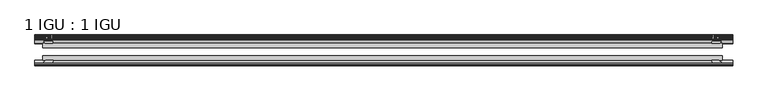
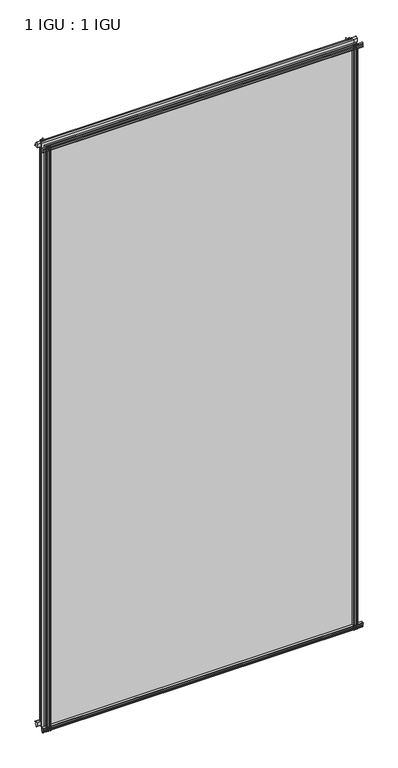
"""IFC4 building model written with IfcOpenShell, lengths in millimetres: plate geometry, 1 IGU : 1 IGU."""

from ifc_helpers import new_model, si_unit, point, frame, frame_2d, origin, place, context, project, spatial, polyline, circle_curve, trimmed, segment, composite_curve, outline, extrude, source, transform, mapped, element, save


def plate_1_igu_1_igu_849d24e5(model_context):
    return source(origin(), model_context, "Body", "SweptSolid", [
        extrude(outline(composite_curve([segment(polyline([(-57.0900403, 1.731044), (-50.00625, 3.0983599), (-50.00625, -7.92383), (-54.1882244, -12.1058044)]), True, "CONTINUOUS"), segment(trimmed(circle_curve(frame_2d((-55.08625, -11.2077788)), 1.27), [point((-54.1882244, -12.1058044))], [point((-56.35625, -11.2077788))], False, "CARTESIAN"), True, "CONTINUOUS"), segment(polyline([(-56.35625, -11.2077788), (-56.35625, -8.0327788), (-57.835546, -5.4488186), (-56.35625, -5.1879788), (-56.35625, 0.2222212), (-57.65913, 0.0383748)]), True, "CONTINUOUS"), segment(trimmed(circle_curve(frame_2d((-56.9150839, 0.7302212)), 1.016), [point((-57.65913, 0.0383748))], [point((-57.0900403, 1.731044))], False, "CARTESIAN"), True, "CONTINUOUS")], self_intersect=False)), frame((-524.5703249, 0.0, 0.0), z_axis=(1.0, 0.0, 0.0), x_axis=(0.0, 1.0, 0.0)), (0.0, 0.0, 1.0), 1053.1792499),
        extrude(outline(composite_curve([segment(polyline([(-24.60625, 2.5763839), (-12.8423053, 1.6478499)]), True, "CONTINUOUS"), segment(trimmed(circle_curve(frame_2d((-12.92225, 0.635)), 1.016), [point((-12.8423053, 1.6478499))], [point((-12.1291353, 0.0))], False, "CARTESIAN"), True, "CONTINUOUS"), segment(polyline([(-12.1291353, 0.0), (-18.25625, 0.0), (-18.25625, -4.953), (-15.9568457, -5.5691235), (-16.3325195, -4.1670901), (-15.4738114, -3.937), (-14.82725, -6.35), (-15.4738114, -8.763), (-16.3325195, -8.5329099), (-15.9568457, -7.1308765), (-18.25625, -7.747), (-18.25625, -12.7), (-20.28825, -12.7), (-24.60625, -9.1036931), (-24.60625, 2.5763839)]), True, "CONTINUOUS")], self_intersect=False)), frame((-524.5703249, 0.0, 0.0), z_axis=(1.0, 0.0, 0.0), x_axis=(0.0, 1.0, 0.0)), (0.0, 0.0, 1.0), 1053.1792499),
        extrude(outline(composite_curve([segment(polyline([(-20.28825, 2019.3), (-18.25625, 2019.3), (-18.25625, 2014.347), (-15.9568457, 2013.7308765), (-16.3325195, 2015.1329099), (-15.4738114, 2015.363), (-14.82725, 2012.95), (-15.4738114, 2010.537), (-16.3325195, 2010.7670901), (-15.9568457, 2012.1691235), (-18.25625, 2011.553), (-18.25625, 2006.6), (-12.1291353, 2006.6)]), True, "CONTINUOUS"), segment(trimmed(circle_curve(frame_2d((-12.92225, 2005.965)), 1.016), [point((-12.1291353, 2006.6))], [point((-12.8423053, 2004.9521501))], False, "CARTESIAN"), True, "CONTINUOUS"), segment(polyline([(-12.8423053, 2004.9521501), (-24.60625, 2004.0236161), (-24.60625, 2015.7036931), (-20.28825, 2019.3)]), True, "CONTINUOUS")], self_intersect=False)), frame((-524.5703249, 0.0, 0.0), z_axis=(1.0, 0.0, 0.0), x_axis=(0.0, 1.0, 0.0)), (0.0, 0.0, 1.0), 1053.1792499),
        extrude(outline(composite_curve([segment(trimmed(circle_curve(frame_2d((-56.9150839, 2005.8697788)), 1.016), [point((-57.0900403, 2004.868956))], [point((-57.65913, 2006.5616252))], False, "CARTESIAN"), True, "CONTINUOUS"), segment(polyline([(-57.65913, 2006.5616252), (-56.35625, 2006.3777788), (-56.35625, 2011.7879788), (-57.835546, 2012.0488186), (-56.35625, 2014.6327788), (-56.35625, 2017.8077788)]), True, "CONTINUOUS"), segment(trimmed(circle_curve(frame_2d((-55.08625, 2017.8077788)), 1.27), [point((-56.35625, 2017.8077788))], [point((-54.1882244, 2018.7058044))], False, "CARTESIAN"), True, "CONTINUOUS"), segment(polyline([(-54.1882244, 2018.7058044), (-50.00625, 2014.52383), (-50.00625, 2003.5016401), (-57.0900403, 2004.868956)]), True, "CONTINUOUS")], self_intersect=False)), frame((-524.5703249, 0.0, 0.0), z_axis=(1.0, 0.0, 0.0), x_axis=(0.0, 1.0, 0.0)), (0.0, 0.0, 1.0), 1053.1792499),
        extrude(outline(composite_curve([segment(polyline([(497.457541, -24.60625), (498.3860751, -12.8423053)]), True, "CONTINUOUS"), segment(trimmed(circle_curve(frame_2d((499.3989249, -12.92225)), 1.016), [point((498.3860751, -12.8423053))], [point((500.0339249, -12.1291353))], False, "CARTESIAN"), True, "CONTINUOUS"), segment(polyline([(500.0339249, -12.1291353), (500.0339249, -18.25625), (504.9869249, -18.25625), (505.6030485, -15.9568457), (504.2010151, -16.3325195), (503.9709249, -15.4738114), (506.3839249, -14.82725), (508.7969249, -15.4738114), (508.5668348, -16.3325195), (507.1648014, -15.9568457), (507.7809249, -18.25625), (512.7339249, -18.25625), (512.7339249, -20.28825), (509.137618, -24.60625), (497.457541, -24.60625)]), True, "CONTINUOUS")], self_intersect=False)), frame((0.0, 0.0, -12.7), z_axis=(0.0, 0.0, 1.0), x_axis=(1.0, 0.0, 0.0)), (0.0, 0.0, 1.0), 2032.0),
        extrude(outline(composite_curve([segment(polyline([(505.2219037, -56.35625), (499.8117037, -56.35625), (499.9955501, -57.65913)]), True, "CONTINUOUS"), segment(trimmed(circle_curve(frame_2d((499.3037037, -56.9150839)), 1.016), [point((499.9955501, -57.65913))], [point((498.3028809, -57.0900403))], False, "CARTESIAN"), True, "CONTINUOUS"), segment(polyline([(498.3028809, -57.0900403), (496.935565, -50.00625), (507.957755, -50.00625), (512.1397293, -54.1882244)]), True, "CONTINUOUS"), segment(trimmed(circle_curve(frame_2d((511.2417037, -55.08625)), 1.27), [point((512.1397293, -54.1882244))], [point((511.2417037, -56.35625))], False, "CARTESIAN"), True, "CONTINUOUS"), segment(polyline([(511.2417037, -56.35625), (508.0667037, -56.35625), (505.4827435, -57.835546), (505.2219037, -56.35625)]), True, "CONTINUOUS")], self_intersect=False)), frame((0.0, 0.0, -12.7), z_axis=(0.0, 0.0, 1.0), x_axis=(1.0, 0.0, 0.0)), (0.0, 0.0, 1.0), 2032.0),
        extrude(outline(composite_curve([segment(polyline([(-497.457541, -24.60625), (-509.137618, -24.60625), (-512.7339249, -20.28825), (-512.7339249, -18.25625), (-507.7809249, -18.25625), (-507.1648014, -15.9568457), (-508.5668348, -16.3325195), (-508.7969249, -15.4738114), (-506.3839249, -14.82725), (-503.9709249, -15.4738114), (-504.2010151, -16.3325195), (-505.6030485, -15.9568457), (-504.9869249, -18.25625), (-500.0339249, -18.25625), (-500.0339249, -12.1291353)]), True, "CONTINUOUS"), segment(trimmed(circle_curve(frame_2d((-499.3989249, -12.92225)), 1.016), [point((-500.0339249, -12.1291353))], [point((-498.3860751, -12.8423053))], False, "CARTESIAN"), True, "CONTINUOUS"), segment(polyline([(-498.3860751, -12.8423053), (-497.457541, -24.60625)]), True, "CONTINUOUS")], self_intersect=False)), frame((0.0, 0.0, -12.7), z_axis=(0.0, 0.0, 1.0), x_axis=(1.0, 0.0, 0.0)), (0.0, 0.0, 1.0), 2032.0),
        extrude(outline(composite_curve([segment(polyline([(-496.935565, -50.00625), (-498.3028809, -57.0900403)]), True, "CONTINUOUS"), segment(trimmed(circle_curve(frame_2d((-499.3037037, -56.9150839)), 1.016), [point((-498.3028809, -57.0900403))], [point((-499.9955501, -57.65913))], False, "CARTESIAN"), True, "CONTINUOUS"), segment(polyline([(-499.9955501, -57.65913), (-499.8117037, -56.35625), (-505.2219037, -56.35625), (-505.4827435, -57.835546), (-508.0667037, -56.35625), (-511.2417037, -56.35625)]), True, "CONTINUOUS"), segment(trimmed(circle_curve(frame_2d((-511.2417037, -55.08625)), 1.27), [point((-511.2417037, -56.35625))], [point((-512.1397293, -54.1882244))], False, "CARTESIAN"), True, "CONTINUOUS"), segment(polyline([(-512.1397293, -54.1882244), (-507.957755, -50.00625), (-496.935565, -50.00625)]), True, "CONTINUOUS")], self_intersect=False)), frame((0.0, 0.0, -12.7), z_axis=(0.0, 0.0, 1.0), x_axis=(1.0, 0.0, 0.0)), (0.0, 0.0, 1.0), 2032.0),
        extrude(outline(polyline([(-512.7339249, -24.60625), (512.7339249, -24.60625), (512.7339249, -30.95625), (-512.7339249, -30.95625), (-512.7339249, -24.60625)])), frame((0.0, 0.0, -12.7), z_axis=(0.0, 0.0, 1.0), x_axis=(1.0, 0.0, 0.0)), (0.0, 0.0, 1.0), 2032.0),
        extrude(outline(polyline([(512.7339249, -43.65625), (512.7339249, -50.00625), (-512.7339249, -50.00625), (-512.7339249, -43.65625), (512.7339249, -43.65625)])), frame((0.0, 0.0, -12.7), z_axis=(0.0, 0.0, 1.0), x_axis=(1.0, 0.0, 0.0)), (0.0, 0.0, 1.0), 2032.0),
    ])


if __name__ == "__main__":
    model = new_model("IFC4")
    model_context = context("Model", 3, world=origin())
    ifc_project = project(units=[si_unit("LENGTHUNIT", "METRE", prefix="MILLI")], contexts=[model_context])
    site = spatial("IfcSite", under=ifc_project)
    building = spatial("IfcBuilding", under=site)
    placement = place(None, origin())
    plate_1_igu_1_igu_shape = plate_1_igu_1_igu_849d24e5(model_context)
    element("IfcPlate", 1, ObjectType="1 IGU : 1 IGU", at=placement, inside=building, context=model_context, shape_type="MappedRepresentation", body=[
        mapped(plate_1_igu_1_igu_shape, transform((0.0, 0.0, 0.0), x_axis=(1.0, 0.0, 0.0), y_axis=(0.0, 1.0, 0.0), z_axis=(0.0, 0.0, 1.0))),
    ])
    save(model, "model.ifc")
